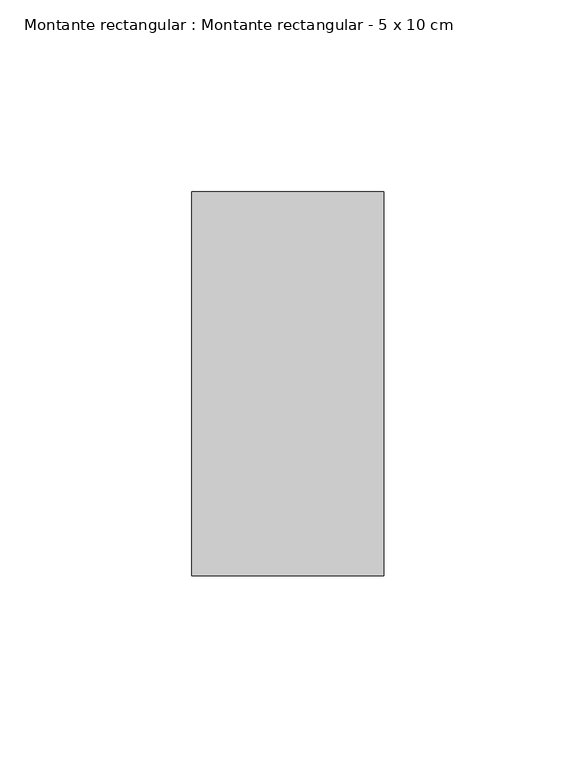
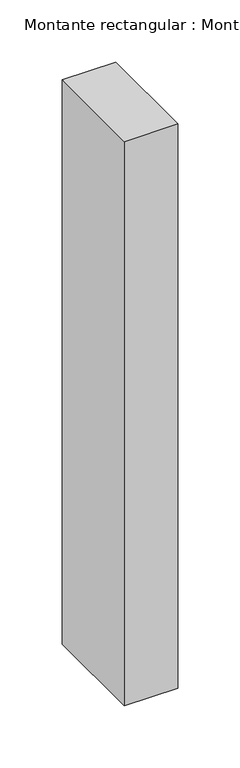
"""IFC4 building model written with IfcOpenShell, lengths in millimetres: member geometry, Montante rectangular : Montante rectangular - 5 x 10 cm."""

from ifc_helpers import new_model, si_unit, frame, origin, place, context, project, spatial, polyline, outline, extrude, source, transform, mapped, element, save


def montante_rectangular_montante_rectangular_5_x_10_cm_f86e60b4(model_context):
    return source(origin(), model_context, "Body", "SweptSolid", [
        extrude(outline(polyline([(0.0, 50.0), (0.0, -50.0), (-50.0, -50.0), (-50.0, 50.0), (0.0, 50.0)])), frame((0.0, 0.0, -555.0), z_axis=(0.0, 0.0, 1.0), x_axis=(1.0, 0.0, 0.0)), (0.0, 0.0, 1.0), 555.0),
    ])


if __name__ == "__main__":
    model = new_model("IFC4")
    model_context = context("Model", 3, world=origin())
    ifc_project = project(units=[si_unit("LENGTHUNIT", "METRE", prefix="MILLI")], contexts=[model_context])
    site = spatial("IfcSite", under=ifc_project)
    building = spatial("IfcBuilding", under=site)
    placement = place(None, origin())
    montante_rectangular_montante_rectangular_5_x_10_cm_shape = montante_rectangular_montante_rectangular_5_x_10_cm_f86e60b4(model_context)
    element("IfcMember", 1, ObjectType="Montante rectangular : Montante rectangular - 5 x 10 cm", at=placement, inside=building, context=model_context, shape_type="MappedRepresentation", body=[
        mapped(montante_rectangular_montante_rectangular_5_x_10_cm_shape, transform((0.0, 0.0, 0.0), x_axis=(1.0, 0.0, 0.0), y_axis=(0.0, 1.0, 0.0), z_axis=(0.0, 0.0, 1.0))),
    ])
    save(model, "model.ifc")
